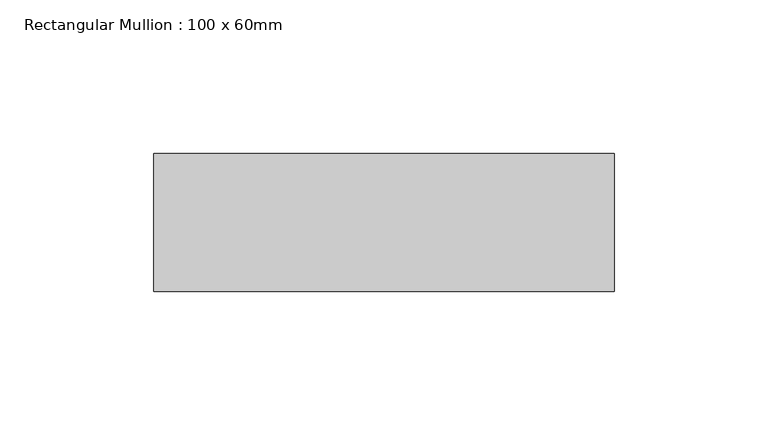
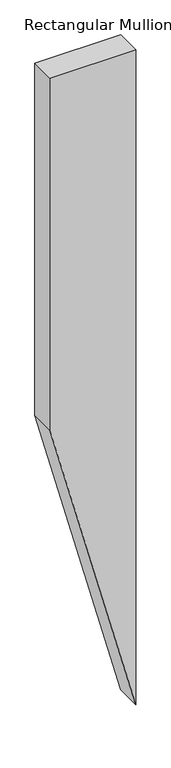
"""IFC4 building model written with IfcOpenShell, lengths in millimetres: member geometry, Rectangular Mullion : 100 x 60mm."""

from ifc_helpers import new_model, si_unit, frame, origin, place, context, project, spatial, polyline, outline, extrude, source, transform, mapped, element, save


def rectangular_mullion_100_x_60mm_493ec2a9(model_context):
    return source(origin(), model_context, "Body", "SweptSolid", [
        extrude(outline(polyline([(0.0, 75.0), (0.0, -75.0), (-650.0012755, -75.0), (-1209.8088967, 75.0), (0.0, 75.0)])), frame((0.0, -15.0, 0.0), z_axis=(0.0, 1.0, 0.0), x_axis=(0.0, 0.0, 1.0)), (0.0, 0.0, 1.0), 45.0),
    ])


if __name__ == "__main__":
    model = new_model("IFC4")
    model_context = context("Model", 3, world=origin())
    ifc_project = project(units=[si_unit("LENGTHUNIT", "METRE", prefix="MILLI")], contexts=[model_context])
    site = spatial("IfcSite", under=ifc_project)
    building = spatial("IfcBuilding", under=site)
    placement = place(None, origin())
    rectangular_mullion_100_x_60mm_shape = rectangular_mullion_100_x_60mm_493ec2a9(model_context)
    element("IfcMember", 1, ObjectType="Rectangular Mullion : 100 x 60mm", at=placement, inside=building, context=model_context, shape_type="MappedRepresentation", body=[
        mapped(rectangular_mullion_100_x_60mm_shape, transform((0.0, 0.0, 0.0), x_axis=(1.0, 0.0, 0.0), y_axis=(0.0, 1.0, 0.0), z_axis=(0.0, 0.0, 1.0))),
    ])
    save(model, "model.ifc")
